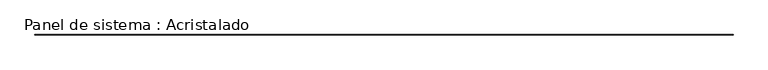
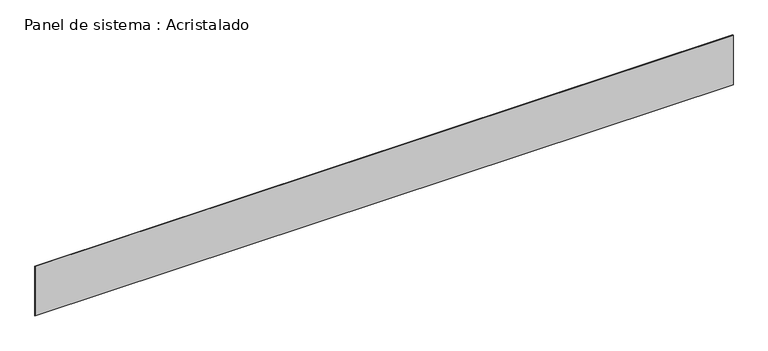
"""IFC4 building model written with IfcOpenShell, lengths in millimetres: plate geometry, Panel de sistema : Acristalado."""

from ifc_helpers import new_model, si_unit, origin, origin_with_axes, place, context, project, spatial, polyline, outline, extrude, source, transform, mapped, element, save


def panel_de_sistema_acristalado_5c9532c6(model_context):
    return source(origin(), model_context, "Body", "SweptSolid", [
        extrude(outline(polyline([(19652.1460748, -10.0), (-19652.1460748, -10.0), (-19652.1460748, 10.0), (19652.1460748, 10.0), (19652.1460748, -10.0)])), origin_with_axes(), (0.0, 0.0, 1.0), 2960.0),
    ])


if __name__ == "__main__":
    model = new_model("IFC4")
    model_context = context("Model", 3, world=origin())
    ifc_project = project(units=[si_unit("LENGTHUNIT", "METRE", prefix="MILLI")], contexts=[model_context])
    site = spatial("IfcSite", under=ifc_project)
    building = spatial("IfcBuilding", under=site)
    placement = place(None, origin())
    panel_de_sistema_acristalado_shape = panel_de_sistema_acristalado_5c9532c6(model_context)
    element("IfcPlate", 1, ObjectType="Panel de sistema : Acristalado", at=placement, inside=building, context=model_context, shape_type="MappedRepresentation", body=[
        mapped(panel_de_sistema_acristalado_shape, transform((0.0, 0.0, 0.0), x_axis=(1.0, 0.0, 0.0), y_axis=(0.0, 1.0, 0.0), z_axis=(0.0, 0.0, 1.0))),
    ])
    save(model, "model.ifc")
